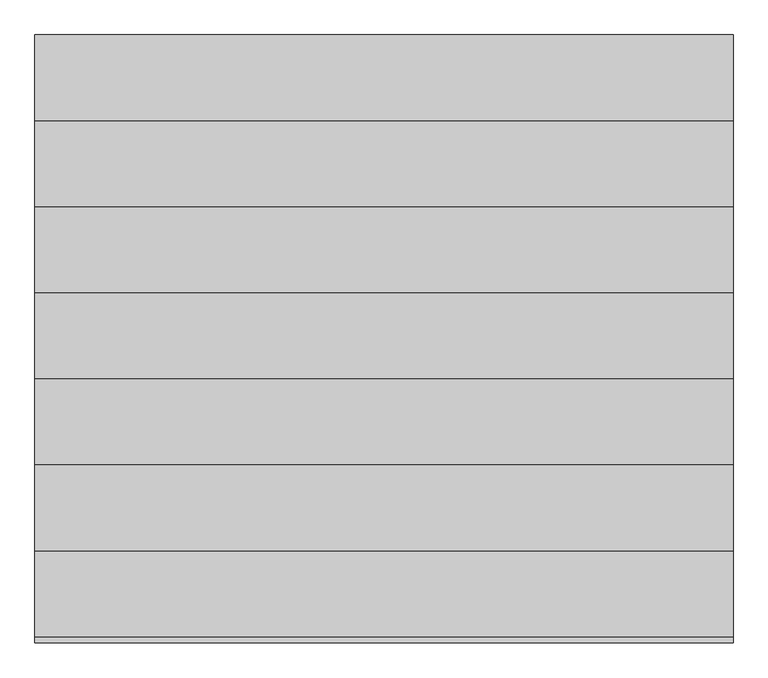
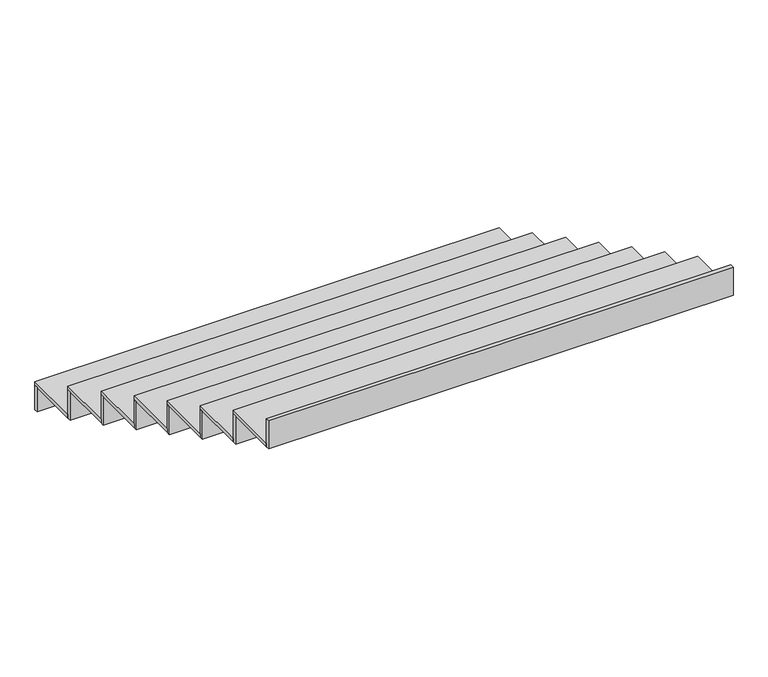
"""IFC4 building model written with IfcOpenShell, lengths in millimetres: stair flight geometry."""

import ifcopenshell
import ifcopenshell.guid

model = None  # the IFC model being written
_history = None  # IfcOwnerHistory: only IFC2X3 demands one
_inside = {}  # id of a spatial element -> (the spatial element, [elements in it])
_under = {}  # id of a project, library or spatial element -> (it, [spatial elements below it])
_declared = {}  # id of a project -> (the project, [libraries it declares])
_typed = {}  # id of a type object -> (the type object, [elements of that type])
_made_of = {}  # id of a material, layer set ... -> (it, [elements and type objects made of it])


def new_model(schema):
    """Start an empty IFC model of exactly this schema.

    Asked for "IFC4X3", IfcOpenShell would pick the latest addendum, in which some entities
    have other attributes; the version numbers below select the first issue.
    IFC2X3 requires an IfcOwnerHistory on every rooted entity: one is made here for all.
    """
    global model, _history
    if schema == "IFC4X3":
        model = ifcopenshell.file(schema_version=(4, 3, 0, 0))
    else:
        model = ifcopenshell.file(schema=schema)
    _inside.clear()
    _under.clear()
    _declared.clear()
    _typed.clear()
    _made_of.clear()
    _history = None
    if model.schema == "IFC2X3":
        org = make("IfcOrganization", Name="unknown")
        user = make(
            "IfcPersonAndOrganization",
            ThePerson=make("IfcPerson", FamilyName="unknown"),
            TheOrganization=org,
        )
        app = make(
            "IfcApplication",
            ApplicationDeveloper=org,
            Version="unknown",
            ApplicationFullName="unknown",
            ApplicationIdentifier="unknown",
        )
        _history = make(
            "IfcOwnerHistory",
            OwningUser=user,
            OwningApplication=app,
            ChangeAction="ADDED",
            CreationDate=0,
        )
    return model


def make(cls, **values):
    """One entity of the class cls with the attributes given. An attribute that is None is left unset."""
    return model.create_entity(
        cls, **{name: value for name, value in values.items() if value is not None}
    )


def rooted(cls, **values):
    """An entity with a GlobalId (a new one), such as an element, a storey or a relation."""
    return make(cls, GlobalId=ifcopenshell.guid.new(), OwnerHistory=_history, **values)


def si_unit(unit_type, name, prefix=None):
    """IfcSIUnit, for example si_unit("LENGTHUNIT", "METRE", prefix="MILLI")."""
    return make("IfcSIUnit", UnitType=unit_type, Prefix=prefix, Name=name)


def assignment(units):
    """IfcUnitAssignment: the units of a project."""
    return None if units is None else make("IfcUnitAssignment", Units=units)


def point(xyz):
    """IfcCartesianPoint."""
    return None if xyz is None else make("IfcCartesianPoint", Coordinates=xyz)


def direction(xyz):
    """IfcDirection."""
    return None if xyz is None else make("IfcDirection", DirectionRatios=xyz)


def frame(location, z_axis=None, x_axis=None):
    """IfcAxis2Placement3D, a coordinate frame: its origin and axes. An axis left out is left unset."""
    return make(
        "IfcAxis2Placement3D",
        Location=point(location),
        Axis=direction(z_axis),
        RefDirection=direction(x_axis),
    )


def origin():
    """The frame at (0, 0, 0) with its axes left unset."""
    return frame((0.0, 0.0, 0.0))


def place(relative_to, where):
    """IfcLocalPlacement: puts the frame where relative to a parent placement (None: the world)."""
    return make(
        "IfcLocalPlacement", PlacementRelTo=relative_to, RelativePlacement=where
    )


def context(
    kind, dimensions, precision=None, world=None, true_north=None, identifier=None
):
    """IfcGeometricRepresentationContext, for example the 3D "Model" context."""
    return make(
        "IfcGeometricRepresentationContext",
        ContextIdentifier=identifier,
        ContextType=kind,
        CoordinateSpaceDimension=dimensions,
        Precision=precision,
        WorldCoordinateSystem=world,
        TrueNorth=true_north,
    )


def project(units=None, contexts=None):
    """IfcProject with its units and contexts."""
    return rooted(
        "IfcProject",
        Name="project",
        RepresentationContexts=contexts,
        UnitsInContext=assignment(units),
    )


def spatial(cls, under=None, at=None, **own):
    """A site, building, storey or space (cls), placed at a placement, below another one or the project."""
    s = rooted(cls, ObjectPlacement=at, **own)
    if under is not None:
        _under.setdefault(under.id(), (under, []))[1].append(s)
    return s


def polyline(points):
    """IfcPolyline through the points."""
    return make("IfcPolyline", Points=[point(p) for p in points])


def outline(outer, holes=None, kind="AREA"):
    """IfcArbitraryClosedProfileDef: a profile drawn as a closed curve; with holes, ...WithVoids."""
    if holes is None:
        return make("IfcArbitraryClosedProfileDef", ProfileType=kind, OuterCurve=outer)
    return make(
        "IfcArbitraryProfileDefWithVoids",
        ProfileType=kind,
        OuterCurve=outer,
        InnerCurves=holes,
    )


def extrude(swept, where, along, depth):
    """IfcExtrudedAreaSolid: the profile swept, set in the frame where, extruded along a direction by depth."""
    return make(
        "IfcExtrudedAreaSolid",
        SweptArea=swept,
        Position=where,
        ExtrudedDirection=direction(along),
        Depth=depth,
    )


def shape(context_of_items, identifier, shape_type, items):
    """IfcShapeRepresentation: the items that make up one representation, for example the "Body"."""
    return make(
        "IfcShapeRepresentation",
        ContextOfItems=context_of_items,
        RepresentationIdentifier=identifier,
        RepresentationType=shape_type,
        Items=items,
    )


def source(mapping_origin, context_of_items, identifier, shape_type, items):
    """IfcRepresentationMap: a shape defined once, which mapped items show again and again."""
    return make(
        "IfcRepresentationMap",
        MappingOrigin=mapping_origin,
        MappedRepresentation=shape(context_of_items, identifier, shape_type, items),
    )


def transform(
    local_origin,
    x_axis=None,
    y_axis=None,
    z_axis=None,
    scale=None,
    scale2=None,
    scale3=None,
    uniform=True,
):
    """IfcCartesianTransformationOperator3D, or its non-uniform kind. x_axis, y_axis, z_axis: its Axis1, 2, 3."""
    if uniform:
        return make(
            "IfcCartesianTransformationOperator3D",
            Axis1=direction(x_axis),
            Axis2=direction(y_axis),
            LocalOrigin=point(local_origin),
            Scale=scale,
            Axis3=direction(z_axis),
        )
    return make(
        "IfcCartesianTransformationOperator3DnonUniform",
        Axis1=direction(x_axis),
        Axis2=direction(y_axis),
        LocalOrigin=point(local_origin),
        Scale=scale,
        Axis3=direction(z_axis),
        Scale2=scale2,
        Scale3=scale3,
    )


def mapped(mapping_source, mapping_target):
    """IfcMappedItem: shows the shape of a source again, moved by a transform."""
    return make(
        "IfcMappedItem", MappingSource=mapping_source, MappingTarget=mapping_target
    )


def made_of(thing, what):
    """Note that an element or type object is made of a material, layer set ...; save() writes the relation."""
    if what is not None:
        _made_of.setdefault(what.id(), (what, []))[1].append(thing)
    return thing


def element(
    cls,
    number,
    at=None,
    inside=None,
    cuts=None,
    type_object=None,
    material=None,
    context=None,
    identifier="Body",
    shape_type=None,
    held_by="IfcProductDefinitionShape",
    body=None,
    shapes=None,
    **own,
):
    """One element of the class cls, such as IfcWall. Its Tag is "e" and its number.

    at: its placement. inside: the storey or other place that contains it. cuts: it is an
    opening in that element (IfcRelVoidsElement). A single representation is given by context,
    identifier, shape_type and body (its items); several are given by shapes. held_by: the class
    of the entity that holds the representations. save() writes the other relations.
    """
    e = rooted(cls, Tag="e%d" % number, ObjectPlacement=at, **own)
    if body is not None:
        shapes = [shape(context, identifier, shape_type, body)]
    if shapes is not None:
        e.Representation = make(held_by, Representations=shapes)
    if inside is not None:
        _inside.setdefault(inside.id(), (inside, []))[1].append(e)
    if cuts is not None:
        rooted(
            "IfcRelVoidsElement", RelatingBuildingElement=cuts, RelatedOpeningElement=e
        )
    if type_object is not None:
        _typed.setdefault(type_object.id(), (type_object, []))[1].append(e)
    return made_of(e, material)


def aggregate(whole, parts):
    """IfcRelAggregates: a whole, such as a stair, and the parts it consists of."""
    return rooted("IfcRelAggregates", RelatingObject=whole, RelatedObjects=parts)


def save(model, path):
    """Write the relations noted so far, then the file.

    IfcRelAggregates (storeys below a building ...), IfcRelContainedInSpatialStructure (elements
    in a storey), IfcRelDefinesByType, IfcRelAssociatesMaterial and IfcRelDeclares: one each for
    every whole, place, type object, material and project.
    """
    for whole, parts in _under.values():
        aggregate(whole, parts)
    for where, things in _inside.values():
        rooted(
            "IfcRelContainedInSpatialStructure",
            RelatedElements=things,
            RelatingStructure=where,
        )
    for kind, things in _typed.values():
        rooted("IfcRelDefinesByType", RelatedObjects=things, RelatingType=kind)
    for what, things in _made_of.values():
        rooted("IfcRelAssociatesMaterial", RelatedObjects=things, RelatingMaterial=what)
    for by, libraries in _declared.values():
        rooted("IfcRelDeclares", RelatingContext=by, RelatedDefinitions=libraries)
    model.write(path)


def stair_flight_225768c9(model_context):
    return source(origin(), model_context, "Body", "SweptSolid", [
        extrude(outline(polyline([(140467.5700352, 85576.0830814), (140467.5700352, 85596.0830814), (142900.1714047, 85596.0830814), (142900.1714047, 85576.0830814), (140467.5700352, 85576.0830814)])), frame((0.0, 0.0, -1166.5), z_axis=(0.0, 0.0, 1.0), x_axis=(1.0, 0.0, 0.0)), (0.0, 0.0, 1.0), 135.3890988),
        extrude(outline(polyline([(142900.1714047, 85296.0830814), (140467.5700352, 85296.0830814), (140467.5700352, 85596.0830814), (142900.1714047, 85596.0830814), (142900.1714047, 85296.0830814)])), frame((0.0, 0.0, -1031.1109012), z_axis=(0.0, 0.0, 1.0), x_axis=(1.0, 0.0, 0.0)), (0.0, 0.0, 1.0), 20.0),
        extrude(outline(polyline([(140467.5700352, 85276.0830814), (140467.5700352, 85296.0830814), (142900.1714047, 85296.0830814), (142900.1714047, 85276.0830814), (140467.5700352, 85276.0830814)])), frame((0.0, 0.0, -1031.1109012), z_axis=(0.0, 0.0, 1.0), x_axis=(1.0, 0.0, 0.0)), (0.0, 0.0, 1.0), 155.3890988),
        extrude(outline(polyline([(142900.1714047, 84996.0830814), (140467.5700352, 84996.0830814), (140467.5700352, 85296.0830814), (142900.1714047, 85296.0830814), (142900.1714047, 84996.0830814)])), frame((0.0, 0.0, -875.7218025), z_axis=(0.0, 0.0, 1.0), x_axis=(1.0, 0.0, 0.0)), (0.0, 0.0, 1.0), 20.0),
        extrude(outline(polyline([(140467.5700352, 84976.0830814), (140467.5700352, 84996.0830814), (142900.1714047, 84996.0830814), (142900.1714047, 84976.0830814), (140467.5700352, 84976.0830814)])), frame((0.0, 0.0, -875.7218025), z_axis=(0.0, 0.0, 1.0), x_axis=(1.0, 0.0, 0.0)), (0.0, 0.0, 1.0), 155.3890988),
        extrude(outline(polyline([(142900.1714047, 84696.0830814), (140467.5700352, 84696.0830814), (140467.5700352, 84996.0830814), (142900.1714047, 84996.0830814), (142900.1714047, 84696.0830814)])), frame((0.0, 0.0, -720.3327037), z_axis=(0.0, 0.0, 1.0), x_axis=(1.0, 0.0, 0.0)), (0.0, 0.0, 1.0), 20.0),
        extrude(outline(polyline([(140467.5700352, 84676.0830814), (140467.5700352, 84696.0830814), (142900.1714047, 84696.0830814), (142900.1714047, 84676.0830814), (140467.5700352, 84676.0830814)])), frame((0.0, 0.0, -720.3327037), z_axis=(0.0, 0.0, 1.0), x_axis=(1.0, 0.0, 0.0)), (0.0, 0.0, 1.0), 155.3890988),
        extrude(outline(polyline([(142900.1714047, 84396.0830814), (140467.5700352, 84396.0830814), (140467.5700352, 84696.0830814), (142900.1714047, 84696.0830814), (142900.1714047, 84396.0830814)])), frame((0.0, 0.0, -564.943605), z_axis=(0.0, 0.0, 1.0), x_axis=(1.0, 0.0, 0.0)), (0.0, 0.0, 1.0), 20.0),
        extrude(outline(polyline([(140467.5700352, 84376.0830814), (140467.5700352, 84396.0830814), (142900.1714047, 84396.0830814), (142900.1714047, 84376.0830814), (140467.5700352, 84376.0830814)])), frame((0.0, 0.0, -564.943605), z_axis=(0.0, 0.0, 1.0), x_axis=(1.0, 0.0, 0.0)), (0.0, 0.0, 1.0), 155.3890988),
        extrude(outline(polyline([(142900.1714047, 84096.0830814), (140467.5700352, 84096.0830814), (140467.5700352, 84396.0830814), (142900.1714047, 84396.0830814), (142900.1714047, 84096.0830814)])), frame((0.0, 0.0, -409.5545062), z_axis=(0.0, 0.0, 1.0), x_axis=(1.0, 0.0, 0.0)), (0.0, 0.0, 1.0), 20.0),
        extrude(outline(polyline([(140467.5700352, 84076.0830814), (140467.5700352, 84096.0830814), (142900.1714047, 84096.0830814), (142900.1714047, 84076.0830814), (140467.5700352, 84076.0830814)])), frame((0.0, 0.0, -409.5545062), z_axis=(0.0, 0.0, 1.0), x_axis=(1.0, 0.0, 0.0)), (0.0, 0.0, 1.0), 155.3890988),
        extrude(outline(polyline([(142900.1714047, 83796.0830814), (140467.5700352, 83796.0830814), (140467.5700352, 84096.0830814), (142900.1714047, 84096.0830814), (142900.1714047, 83796.0830814)])), frame((0.0, 0.0, -254.1654075), z_axis=(0.0, 0.0, 1.0), x_axis=(1.0, 0.0, 0.0)), (0.0, 0.0, 1.0), 20.0),
        extrude(outline(polyline([(140467.5700352, 83776.0830814), (140467.5700352, 83796.0830814), (142900.1714047, 83796.0830814), (142900.1714047, 83776.0830814), (140467.5700352, 83776.0830814)])), frame((0.0, 0.0, -254.1654075), z_axis=(0.0, 0.0, 1.0), x_axis=(1.0, 0.0, 0.0)), (0.0, 0.0, 1.0), 155.3890988),
        extrude(outline(polyline([(140467.5700352, 83476.0830814), (140467.5700352, 83496.0830814), (142900.1714047, 83496.0830814), (142900.1714047, 83476.0830814), (140467.5700352, 83476.0830814)])), frame((0.0, 0.0, -98.7763087), z_axis=(0.0, 0.0, 1.0), x_axis=(1.0, 0.0, 0.0)), (0.0, 0.0, 1.0), 155.3890988),
        extrude(outline(polyline([(142900.1714047, 83496.0830814), (140467.5700352, 83496.0830814), (140467.5700352, 83796.0830814), (142900.1714047, 83796.0830814), (142900.1714047, 83496.0830814)])), frame((0.0, 0.0, -98.7763087), z_axis=(0.0, 0.0, 1.0), x_axis=(1.0, 0.0, 0.0)), (0.0, 0.0, 1.0), 20.0),
    ])


if __name__ == "__main__":
    model = new_model("IFC4")
    model_context = context("Model", 3, world=origin())
    ifc_project = project(units=[si_unit("LENGTHUNIT", "METRE", prefix="MILLI")], contexts=[model_context])
    site = spatial("IfcSite", under=ifc_project)
    building = spatial("IfcBuilding", under=site)
    placement = place(None, origin())
    stair_flight_shape = stair_flight_225768c9(model_context)
    element("IfcStairFlight", 1, at=placement, inside=building, context=model_context, shape_type="MappedRepresentation", body=[
        mapped(stair_flight_shape, transform((0.0, 0.0, 0.0), x_axis=(1.0, 0.0, 0.0), y_axis=(0.0, 1.0, 0.0), z_axis=(0.0, 0.0, 1.0))),
    ])
    save(model, "model.ifc")
